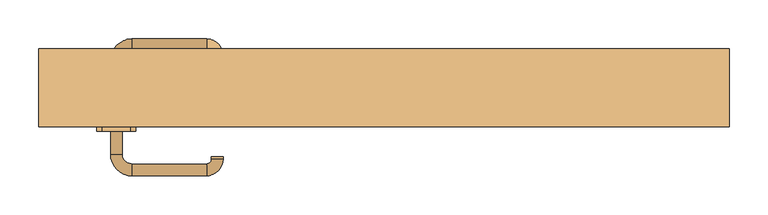
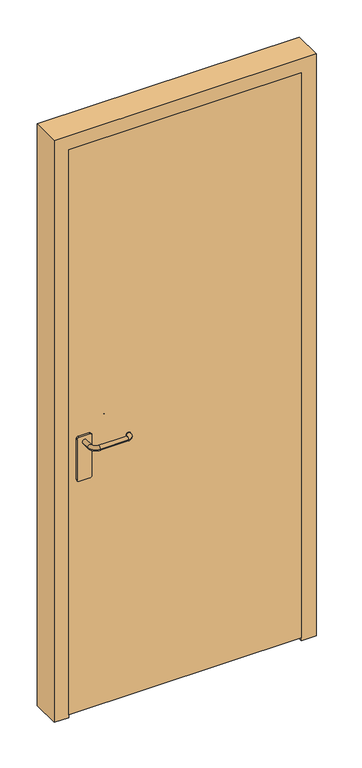
"""IFC4 building model written with IfcOpenShell, lengths in millimetres: door geometry."""

from ifc_helpers import new_model, si_unit, point, frame, frame_2d, origin, place, context, project, spatial, polyline, circle_curve, ellipse_curve, trimmed, segment, composite_curve, outline, extrude, source, transform, mapped, element, save
from ifc_brep_helpers import plane_surface, cylinder_surface, revolved_surface, advanced_brep


def door_dc1e9b7d(model_context):
    return source(origin(), model_context, "Body", "SolidModel", [
        advanced_brep(
        [(-352.5, -42.6077061, 978.0), (-337.5, -42.6077061, 978.0), (-352.5, -72.6077061, 978.0), (-337.5, -72.6077061, 978.0), (-325.0, -85.1077061, 978.0), (-325.0, -100.1077061, 978.0), (-228.7497889, -100.1077061, 978.0), (-228.7497889, -85.1077061, 978.0), (-222.5, -78.8579172, 978.0), (-207.5, -78.8579172, 978.0), (-207.5, -75.4759661, 978.0), (-222.5, -75.4759661, 978.0)],
        [
            (0, 1, circle_curve(frame((-345.0, -42.6077061, 978.0), z_axis=(0.0, 1.0, 0.0), x_axis=(1.0, 0.0, 0.0)), 7.5)),
            (1, 0, circle_curve(frame((-345.0, -42.6077061, 978.0), z_axis=(0.0, 1.0, 0.0), x_axis=(1.0, 0.0, 0.0)), 7.5)),
            (0, 2),
            (2, 3, circle_curve(frame((-345.0, -72.6077061, 978.0), z_axis=(0.0, 1.0, 0.0), x_axis=(1.0, 0.0, 0.0)), 7.5)),
            (3, 1),
            (3, 2, circle_curve(frame((-345.0, -72.6077061, 978.0), z_axis=(0.0, 1.0, 0.0), x_axis=(1.0, 0.0, 0.0)), 7.5)),
            (4, 3, circle_curve(frame((-325.0, -72.6077061, 978.0), z_axis=(0.0, 0.0, -1.0), x_axis=(-1.0, 0.0, 0.0)), 12.5)),
            (2, 5, circle_curve(frame((-325.0, -72.6077061, 978.0), z_axis=(0.0, 0.0, 1.0), x_axis=(-1.0, 0.0, 0.0)), 27.5)),
            (5, 4, circle_curve(frame((-325.0, -92.6077061, 978.0), z_axis=(-1.0, 0.0, 0.0), x_axis=(0.0, 1.0, 0.0)), 7.5)),
            (4, 5, circle_curve(frame((-325.0, -92.6077061, 978.0), z_axis=(-1.0, 0.0, 0.0), x_axis=(0.0, 1.0, 0.0)), 7.5)),
            (5, 6),
            (6, 7, circle_curve(frame((-228.7497889, -92.6077061, 978.0), z_axis=(-1.0, 0.0, 0.0), x_axis=(0.0, 1.0, 0.0)), 7.5)),
            (7, 4),
            (7, 6, circle_curve(frame((-228.7497889, -92.6077061, 978.0), z_axis=(-1.0, 0.0, 0.0), x_axis=(0.0, 1.0, 0.0)), 7.5)),
            (8, 7, circle_curve(frame((-228.7497889, -78.8579172, 978.0), z_axis=(0.0, 0.0, -1.0), x_axis=(0.0, -1.0, 0.0)), 6.2497889)),
            (6, 9, circle_curve(frame((-228.7497889, -78.8579172, 978.0), z_axis=(0.0, 0.0, 1.0), x_axis=(0.0, -1.0, 0.0)), 21.2497889)),
            (9, 8, circle_curve(frame((-215.0, -78.8579172, 978.0), z_axis=(0.0, -1.0, 0.0), x_axis=(-1.0, 0.0, 0.0)), 7.5)),
            (8, 9, circle_curve(frame((-215.0, -78.8579172, 978.0), z_axis=(0.0, -1.0, 0.0), x_axis=(-1.0, 0.0, 0.0)), 7.5)),
            (10, 11, circle_curve(frame((-215.0, -75.4759661, 978.0), z_axis=(0.0, 1.0, 0.0), x_axis=(-1.0, 0.0, 0.0)), 7.5)),
            (11, 10, circle_curve(frame((-215.0, -75.4759661, 978.0), z_axis=(0.0, 1.0, 0.0), x_axis=(-1.0, 0.0, 0.0)), 7.5)),
            (9, 10),
            (11, 8),
        ],
        [
            plane_surface(frame((-345.0, -42.6077061, 978.0), z_axis=(0.0, 1.0, 0.0), x_axis=(0.0, 0.0, 1.0))),
            cylinder_surface(frame((-345.0, -42.6077061, 978.0), z_axis=(0.0, 1.0, 0.0), x_axis=(1.0, 0.0, 0.0)), 7.5),
            revolved_surface(trimmed(ellipse_curve(frame((-345.0, -72.6077061, 978.0), z_axis=(0.0, 1.0, 0.0), x_axis=(1.0, 0.0, 0.0)), 7.5, 7.5), [point((-352.5, -72.6077061, 978.0))], [point((-337.5, -72.6077061, 978.0))], True, "CARTESIAN"), (-325.0, -72.6077061, 978.0), (0.0, 0.0, 1.0)),
            revolved_surface(trimmed(ellipse_curve(frame((-345.0, -72.6077061, 978.0), z_axis=(0.0, 1.0, 0.0), x_axis=(1.0, 0.0, 0.0)), 7.5, 7.5), [point((-337.5, -72.6077061, 978.0))], [point((-352.5, -72.6077061, 978.0))], True, "CARTESIAN"), (-325.0, -72.6077061, 978.0), (0.0, 0.0, 1.0)),
            cylinder_surface(frame((-325.0, -92.6077061, 978.0), z_axis=(-1.0, 0.0, 0.0), x_axis=(0.0, 1.0, 0.0)), 7.5),
            revolved_surface(trimmed(ellipse_curve(frame((-228.7497889, -92.6077061, 978.0), z_axis=(-1.0, 0.0, 0.0), x_axis=(0.0, 1.0, 0.0)), 7.5, 7.5), [point((-228.7497889, -100.1077061, 978.0))], [point((-228.7497889, -85.1077061, 978.0))], True, "CARTESIAN"), (-228.7497889, -78.8579172, 978.0), (0.0, 0.0, 1.0)),
            revolved_surface(trimmed(ellipse_curve(frame((-228.7497889, -92.6077061, 978.0), z_axis=(-1.0, 0.0, 0.0), x_axis=(0.0, 1.0, 0.0)), 7.5, 7.5), [point((-228.7497889, -85.1077061, 978.0))], [point((-228.7497889, -100.1077061, 978.0))], True, "CARTESIAN"), (-228.7497889, -78.8579172, 978.0), (0.0, 0.0, 1.0)),
            plane_surface(frame((-215.0, -75.4759661, 978.0), z_axis=(0.0, 1.0, 0.0), x_axis=(0.0, 0.0, 1.0))),
            cylinder_surface(frame((-215.0, -78.8579172, 978.0), z_axis=(0.0, -1.0, 0.0), x_axis=(-1.0, 0.0, 0.0)), 7.5),
        ],
        [
            (0, [[1, 2]]),
            (1, [[-1, 3, 4, 5]]),
            (1, [[-2, -5, 6, -3]]),
            (2, [[7, -4, 8, 9]]),
            (3, [[-8, -6, -7, 10]]),
            (4, [[-9, 11, 12, 13]]),
            (4, [[-10, -13, 14, -11]]),
            (5, [[15, -12, 16, 17]]),
            (6, [[-16, -14, -15, 18]]),
            (7, [[19, 20]]),
            (8, [[-17, 21, -20, 22]]),
            (8, [[-18, -22, -19, -21]]),
        ],
    ),
        extrude(outline(composite_curve([segment(polyline([(1000.0, -327.0), (1000.0, -363.0)]), True, "CONTINUOUS"), segment(trimmed(circle_curve(frame_2d((993.0, -363.0)), 7.0), [point((1000.0, -363.0))], [point((993.0, -370.0))], False, "CARTESIAN"), True, "CONTINUOUS"), segment(polyline([(993.0, -370.0), (847.986295, -370.0)]), True, "CONTINUOUS"), segment(trimmed(circle_curve(frame_2d((847.986295, -363.0)), 7.0), [point((847.986295, -370.0))], [point((840.986295, -363.0))], False, "CARTESIAN"), True, "CONTINUOUS"), segment(polyline([(840.986295, -363.0), (840.986295, -327.0)]), True, "CONTINUOUS"), segment(trimmed(circle_curve(frame_2d((847.986295, -327.0)), 7.0), [point((840.986295, -327.0))], [point((847.986295, -320.0))], False, "CARTESIAN"), True, "CONTINUOUS"), segment(polyline([(847.986295, -320.0), (993.0, -320.0)]), True, "CONTINUOUS"), segment(trimmed(circle_curve(frame_2d((993.0, -327.0)), 7.0), [point((993.0, -320.0))], [point((1000.0, -327.0))], False, "CARTESIAN"), True, "CONTINUOUS")], self_intersect=False)), frame((0.0, -42.6, 0.0), z_axis=(0.0, 1.0, 0.0), x_axis=(0.0, 0.0, 1.0)), (0.0, 0.0, 1.0), 5.6),
        advanced_brep(
        [(-352.5, 18.6077061, 978.0), (-337.5, 18.6077061, 978.0), (-337.5, 48.6077061, 978.0), (-352.5, 48.6077061, 978.0), (-325.0, 61.1077061, 978.0), (-325.0, 76.1077061, 978.0), (-228.7497889, 61.1077061, 978.0), (-228.7497889, 76.1077061, 978.0), (-222.5, 54.8579172, 978.0), (-207.5, 54.8579172, 978.0), (-207.5, 51.4759661, 978.0), (-222.5, 51.4759661, 978.0)],
        [
            (0, 1, circle_curve(frame((-345.0, 18.6077061, 978.0), z_axis=(0.0, -1.0, 0.0), x_axis=(1.0, 0.0, 0.0)), 7.5)),
            (1, 0, circle_curve(frame((-345.0, 18.6077061, 978.0), z_axis=(0.0, -1.0, 0.0), x_axis=(1.0, 0.0, 0.0)), 7.5)),
            (1, 2),
            (2, 3, circle_curve(frame((-345.0, 48.6077061, 978.0), z_axis=(0.0, -1.0, 0.0), x_axis=(1.0, 0.0, 0.0)), 7.5)),
            (3, 0),
            (3, 2, circle_curve(frame((-345.0, 48.6077061, 978.0), z_axis=(0.0, -1.0, 0.0), x_axis=(1.0, 0.0, 0.0)), 7.5)),
            (4, 5, circle_curve(frame((-325.0, 68.6077061, 978.0), z_axis=(-1.0, 0.0, 0.0), x_axis=(0.0, -1.0, 0.0)), 7.5)),
            (5, 3, circle_curve(frame((-325.0, 48.6077061, 978.0), z_axis=(0.0, 0.0, 1.0), x_axis=(-1.0, 0.0, 0.0)), 27.5)),
            (2, 4, circle_curve(frame((-325.0, 48.6077061, 978.0), z_axis=(0.0, 0.0, -1.0), x_axis=(-1.0, 0.0, 0.0)), 12.5)),
            (5, 4, circle_curve(frame((-325.0, 68.6077061, 978.0), z_axis=(-1.0, 0.0, 0.0), x_axis=(0.0, -1.0, 0.0)), 7.5)),
            (4, 6),
            (6, 7, circle_curve(frame((-228.7497889, 68.6077061, 978.0), z_axis=(-1.0, 0.0, 0.0), x_axis=(0.0, -1.0, 0.0)), 7.5)),
            (7, 5),
            (7, 6, circle_curve(frame((-228.7497889, 68.6077061, 978.0), z_axis=(-1.0, 0.0, 0.0), x_axis=(0.0, -1.0, 0.0)), 7.5)),
            (8, 9, circle_curve(frame((-215.0, 54.8579172, 978.0), z_axis=(0.0, 1.0, 0.0), x_axis=(-1.0, 0.0, 0.0)), 7.5)),
            (9, 7, circle_curve(frame((-228.7497889, 54.8579172, 978.0), z_axis=(0.0, 0.0, 1.0), x_axis=(0.0, 1.0, 0.0)), 21.2497889)),
            (6, 8, circle_curve(frame((-228.7497889, 54.8579172, 978.0), z_axis=(0.0, 0.0, -1.0), x_axis=(0.0, 1.0, 0.0)), 6.2497889)),
            (9, 8, circle_curve(frame((-215.0, 54.8579172, 978.0), z_axis=(0.0, 1.0, 0.0), x_axis=(-1.0, 0.0, 0.0)), 7.5)),
            (10, 11, circle_curve(frame((-215.0, 51.4759661, 978.0), z_axis=(0.0, -1.0, 0.0), x_axis=(-1.0, 0.0, 0.0)), 7.5)),
            (11, 10, circle_curve(frame((-215.0, 51.4759661, 978.0), z_axis=(0.0, -1.0, 0.0), x_axis=(-1.0, 0.0, 0.0)), 7.5)),
            (8, 11),
            (10, 9),
        ],
        [
            plane_surface(frame((-345.0, 18.6077061, 978.0), z_axis=(0.0, -1.0, 0.0), x_axis=(0.0, 0.0, 1.0))),
            cylinder_surface(frame((-345.0, 18.6077061, 978.0), z_axis=(0.0, -1.0, 0.0), x_axis=(1.0, 0.0, 0.0)), 7.5),
            revolved_surface(trimmed(ellipse_curve(frame((-345.0, 48.6077061, 978.0), z_axis=(0.0, 1.0, 0.0), x_axis=(1.0, 0.0, 0.0)), 7.5, 7.5), [point((-352.5, 48.6077061, 978.0))], [point((-337.5, 48.6077061, 978.0))], True, "CARTESIAN"), (-325.0, 48.6077061, 978.0), (0.0, 0.0, 1.0)),
            revolved_surface(trimmed(ellipse_curve(frame((-345.0, 48.6077061, 978.0), z_axis=(0.0, 1.0, 0.0), x_axis=(1.0, 0.0, 0.0)), 7.5, 7.5), [point((-337.5, 48.6077061, 978.0))], [point((-352.5, 48.6077061, 978.0))], True, "CARTESIAN"), (-325.0, 48.6077061, 978.0), (0.0, 0.0, 1.0)),
            cylinder_surface(frame((-325.0, 68.6077061, 978.0), z_axis=(-1.0, 0.0, 0.0), x_axis=(0.0, -1.0, 0.0)), 7.5),
            revolved_surface(trimmed(ellipse_curve(frame((-228.7497889, 68.6077061, 978.0), z_axis=(1.0, 0.0, 0.0), x_axis=(0.0, -1.0, 0.0)), 7.5, 7.5), [point((-228.7497889, 76.1077061, 978.0))], [point((-228.7497889, 61.1077061, 978.0))], True, "CARTESIAN"), (-228.7497889, 54.8579172, 978.0), (0.0, 0.0, 1.0)),
            revolved_surface(trimmed(ellipse_curve(frame((-228.7497889, 68.6077061, 978.0), z_axis=(1.0, 0.0, 0.0), x_axis=(0.0, -1.0, 0.0)), 7.5, 7.5), [point((-228.7497889, 61.1077061, 978.0))], [point((-228.7497889, 76.1077061, 978.0))], True, "CARTESIAN"), (-228.7497889, 54.8579172, 978.0), (0.0, 0.0, 1.0)),
            plane_surface(frame((-215.0, 51.4759661, 978.0), z_axis=(0.0, -1.0, 0.0), x_axis=(0.0, 0.0, 1.0))),
            cylinder_surface(frame((-215.0, 54.8579172, 978.0), z_axis=(0.0, 1.0, 0.0), x_axis=(-1.0, 0.0, 0.0)), 7.5),
        ],
        [
            (0, [[1, 2]]),
            (1, [[3, 4, 5, -2]]),
            (1, [[-5, 6, -3, -1]]),
            (2, [[7, 8, -4, 9]]),
            (3, [[10, -9, -6, -8]]),
            (4, [[11, 12, 13, -7]]),
            (4, [[-13, 14, -11, -10]]),
            (5, [[15, 16, -12, 17]]),
            (6, [[18, -17, -14, -16]]),
            (7, [[19, 20]]),
            (8, [[21, -19, 22, -15]]),
            (8, [[-22, -20, -21, -18]]),
        ],
    ),
        extrude(outline(composite_curve([segment(polyline([(1000.0, -327.0), (1000.0, -363.0)]), True, "CONTINUOUS"), segment(trimmed(circle_curve(frame_2d((993.0, -363.0)), 7.0), [point((1000.0, -363.0))], [point((993.0, -370.0))], False, "CARTESIAN"), True, "CONTINUOUS"), segment(polyline([(993.0, -370.0), (847.986295, -370.0)]), True, "CONTINUOUS"), segment(trimmed(circle_curve(frame_2d((847.986295, -363.0)), 7.0), [point((847.986295, -370.0))], [point((840.986295, -363.0))], False, "CARTESIAN"), True, "CONTINUOUS"), segment(polyline([(840.986295, -363.0), (840.986295, -327.0)]), True, "CONTINUOUS"), segment(trimmed(circle_curve(frame_2d((847.986295, -327.0)), 7.0), [point((840.986295, -327.0))], [point((847.986295, -320.0))], False, "CARTESIAN"), True, "CONTINUOUS"), segment(polyline([(847.986295, -320.0), (993.0, -320.0)]), True, "CONTINUOUS"), segment(trimmed(circle_curve(frame_2d((993.0, -327.0)), 7.0), [point((993.0, -320.0))], [point((1000.0, -327.0))], False, "CARTESIAN"), True, "CONTINUOUS")], self_intersect=False)), frame((0.0, 13.0, 0.0), z_axis=(0.0, 1.0, 0.0), x_axis=(0.0, 0.0, 1.0)), (0.0, 0.0, 1.0), 5.6),
        extrude(outline(polyline([(-395.0, -37.0), (-395.0, 13.0), (395.0, 13.0), (395.0, -37.0), (-395.0, -37.0)])), frame((0.0, 0.0, 10.0), z_axis=(0.0, 0.0, 1.0), x_axis=(1.0, 0.0, 0.0)), (0.0, 0.0, 1.0), 2030.0),
        extrude(outline(polyline([(0.0, -395.0), (2040.0, -395.0), (2040.0, 395.0), (0.0, 395.0), (0.0, 445.0), (2090.0, 445.0), (2090.0, -445.0), (0.0, -445.0), (0.0, -395.0)])), frame((0.0, -37.0, 0.0), z_axis=(0.0, 1.0, 0.0), x_axis=(0.0, 0.0, 1.0)), (0.0, 0.0, 1.0), 100.0),
    ])


if __name__ == "__main__":
    model = new_model("IFC4")
    model_context = context("Model", 3, world=origin())
    ifc_project = project(units=[si_unit("LENGTHUNIT", "METRE", prefix="MILLI")], contexts=[model_context])
    site = spatial("IfcSite", under=ifc_project)
    building = spatial("IfcBuilding", under=site)
    placement = place(None, origin())
    door_shape = door_dc1e9b7d(model_context)
    element("IfcDoor", 1, at=placement, inside=building, context=model_context, shape_type="MappedRepresentation", body=[
        mapped(door_shape, transform((0.0, 0.0, 0.0), x_axis=(1.0, 0.0, 0.0), y_axis=(0.0, 1.0, 0.0), z_axis=(0.0, 0.0, 1.0))),
    ])
    save(model, "model.ifc")
